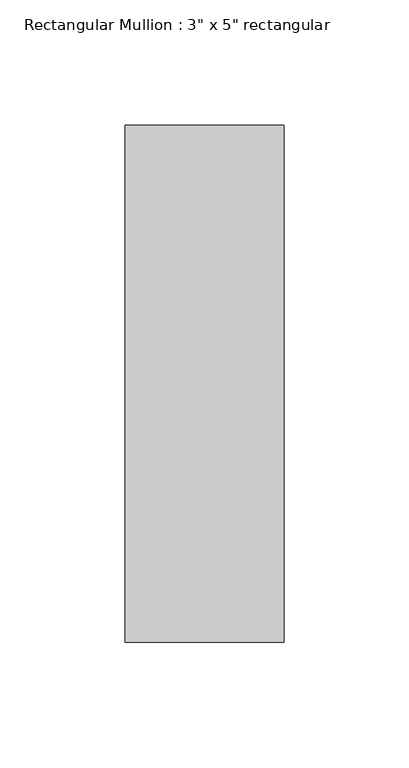
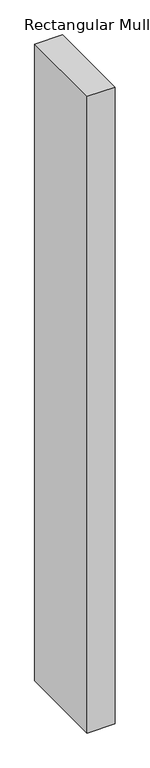
"""IFC4 building model written with IfcOpenShell, lengths in millimetres: member geometry."""

from ifc_helpers import new_model, si_unit, frame, origin, place, context, project, spatial, polyline, outline, extrude, source, transform, mapped, element, save


def member_39b757df(model_context):
    return source(origin(), model_context, "Body", "SweptSolid", [
        extrude(outline(polyline([(31.75, 90.551), (31.75, -115.951), (-31.75, -115.951), (-31.75, 90.551), (31.75, 90.551)])), frame((0.0, 0.0, -1530.35), z_axis=(0.0, 0.0, 1.0), x_axis=(1.0, 0.0, 0.0)), (0.0, 0.0, 1.0), 1530.35),
    ])


if __name__ == "__main__":
    model = new_model("IFC4")
    model_context = context("Model", 3, world=origin())
    ifc_project = project(units=[si_unit("LENGTHUNIT", "METRE", prefix="MILLI")], contexts=[model_context])
    site = spatial("IfcSite", under=ifc_project)
    building = spatial("IfcBuilding", under=site)
    placement = place(None, origin())
    member_shape = member_39b757df(model_context)
    element("IfcMember", 1, ObjectType="Rectangular Mullion : 3\" x 5\" rectangular", at=placement, inside=building, context=model_context, shape_type="MappedRepresentation", body=[
        mapped(member_shape, transform((0.0, 0.0, 0.0), x_axis=(1.0, 0.0, 0.0), y_axis=(0.0, 1.0, 0.0), z_axis=(0.0, 0.0, 1.0))),
    ])
    save(model, "model.ifc")
